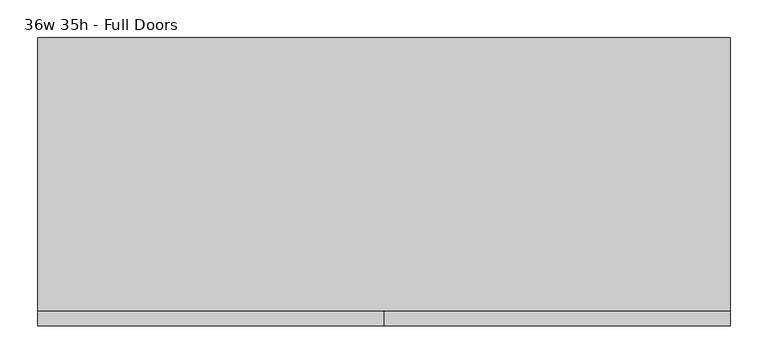
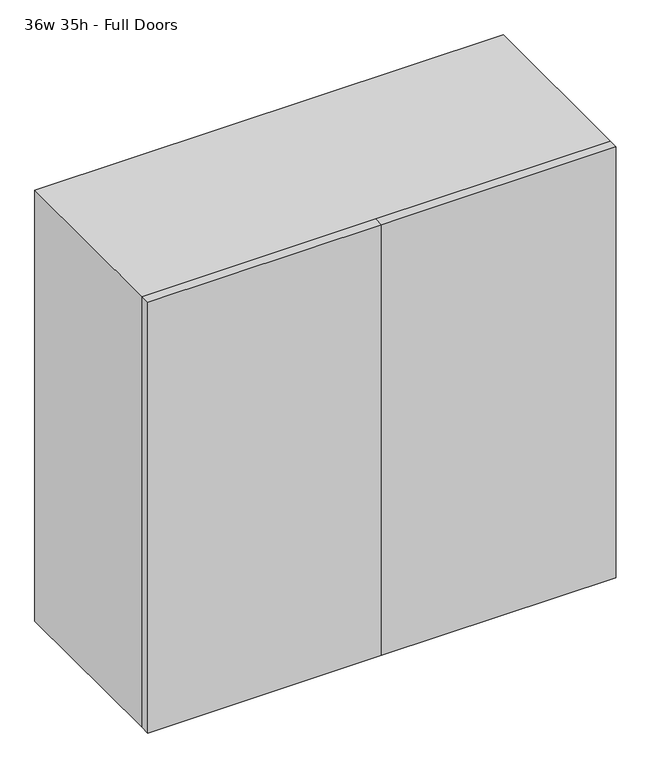
"""IFC4 building model written with IfcOpenShell, lengths in millimetres: furniture geometry, 36w 35h - Full Doors."""

from ifc_helpers import new_model, si_unit, frame, origin, place, context, project, spatial, polyline, outline, extrude, source, transform, mapped, element, save


def furniture_36w_35h_full_doors_8837c8ba(model_context):
    return source(origin(), model_context, "Body", "SweptSolid", [
        extrude(outline(polyline([(438.1569453, 161.925), (438.1569453, -180.975), (-438.1291641, -180.975), (-438.1291641, 161.925), (438.1569453, 161.925)])), frame((0.0, 0.0, 1326.0916667), z_axis=(0.0, 0.0, 1.0), x_axis=(1.0, 0.0, 0.0)), (0.0, 0.0, 1.0), 19.05),
        extrude(outline(polyline([(438.1569453, 161.925), (438.1569453, -180.975), (-438.1291641, -180.975), (-438.1291641, 161.925), (438.1569453, 161.925)])), frame((0.0, 0.0, 1017.0583333), z_axis=(0.0, 0.0, 1.0), x_axis=(1.0, 0.0, 0.0)), (0.0, 0.0, 1.0), 19.05),
        extrude(outline(polyline([(0.0138906, -200.025), (0.0138906, -180.975), (457.2138906, -180.975), (457.2138906, -200.025), (0.0138906, -200.025)])), frame((0.0, 0.0, 736.6), z_axis=(0.0, 0.0, 1.0), x_axis=(1.0, 0.0, 0.0)), (0.0, 0.0, 1.0), 889.0),
        extrude(outline(polyline([(0.0138906, -200.025), (-457.1861094, -200.025), (-457.1861094, -180.975), (0.0138906, -180.975), (0.0138906, -200.025)])), frame((0.0, 0.0, 736.6), z_axis=(0.0, 0.0, 1.0), x_axis=(1.0, 0.0, 0.0)), (0.0, 0.0, 1.0), 889.0),
        extrude(outline(polyline([(736.6, -457.1861094), (736.6, 457.2138906), (1625.6, 457.2138906), (1625.6, -457.1861094), (736.6, -457.1861094)]), holes=[polyline([(755.65, -438.1361094), (1606.55, -438.1361094), (1606.55, 438.1569453), (755.65, 438.1569453), (755.65, -438.1361094)])]), frame((0.0, -180.975, 0.0), z_axis=(0.0, 1.0, 0.0), x_axis=(0.0, 0.0, 1.0)), (0.0, 0.0, 1.0), 361.95),
        extrude(outline(polyline([(-438.1291641, 161.925), (-438.1291641, 180.975), (438.1569453, 180.975), (438.1569453, 161.925), (-438.1291641, 161.925)])), frame((0.0, 0.0, 755.65), z_axis=(0.0, 0.0, 1.0), x_axis=(1.0, 0.0, 0.0)), (0.0, 0.0, 1.0), 850.9),
    ])


if __name__ == "__main__":
    model = new_model("IFC4")
    model_context = context("Model", 3, world=origin())
    ifc_project = project(units=[si_unit("LENGTHUNIT", "METRE", prefix="MILLI")], contexts=[model_context])
    site = spatial("IfcSite", under=ifc_project)
    building = spatial("IfcBuilding", under=site)
    placement = place(None, origin())
    furniture_36w_35h_full_doors_shape = furniture_36w_35h_full_doors_8837c8ba(model_context)
    element("IfcFurniture", 1, ObjectType="36w 35h - Full Doors", at=placement, inside=building, context=model_context, shape_type="MappedRepresentation", body=[
        mapped(furniture_36w_35h_full_doors_shape, transform((0.0, 0.0, 0.0), x_axis=(1.0, 0.0, 0.0), y_axis=(0.0, 1.0, 0.0), z_axis=(0.0, 0.0, 1.0))),
    ])
    save(model, "model.ifc")
